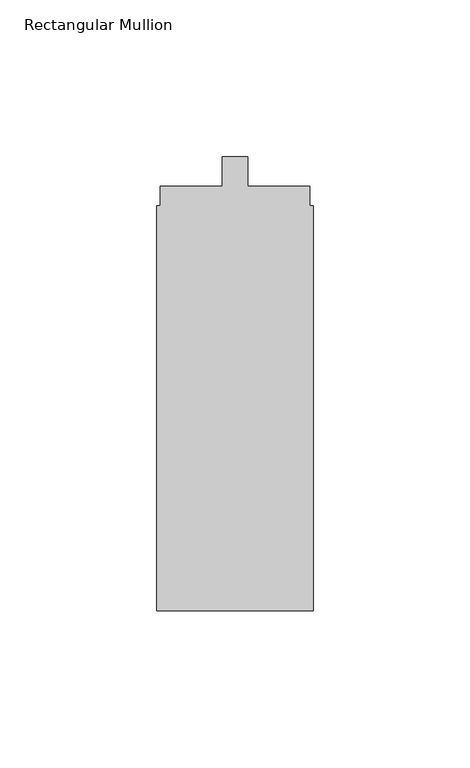
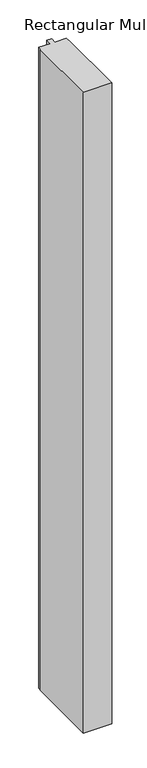
"""IFC4 building model written with IfcOpenShell, lengths in millimetres: member geometry, Rectangular Mullion."""

from ifc_helpers import new_model, si_unit, frame, origin, place, context, project, spatial, polyline, outline, extrude, source, transform, mapped, element, save


def rectangular_mullion_bb9cae61(model_context):
    return source(origin(), model_context, "Body", "SweptSolid", [
        extrude(outline(polyline([(-50.0, -161.3), (-50.0, -32.0), (-48.8217337, -32.0), (-48.8217337, -25.8), (-29.1, -25.8), (-29.1, -16.3), (-20.9, -16.3), (-20.9, -25.8), (-1.1, -25.8), (-1.1, -32.0), (0.0, -32.0), (0.0, -161.3), (-50.0, -161.3)])), frame((0.0, 0.0, -1175.0), z_axis=(0.0, 0.0, 1.0), x_axis=(1.0, 0.0, 0.0)), (0.0, 0.0, 1.0), 1175.0),
    ])


if __name__ == "__main__":
    model = new_model("IFC4")
    model_context = context("Model", 3, world=origin())
    ifc_project = project(units=[si_unit("LENGTHUNIT", "METRE", prefix="MILLI")], contexts=[model_context])
    site = spatial("IfcSite", under=ifc_project)
    building = spatial("IfcBuilding", under=site)
    placement = place(None, origin())
    rectangular_mullion_shape = rectangular_mullion_bb9cae61(model_context)
    element("IfcMember", 1, ObjectType="Rectangular Mullion", at=placement, inside=building, context=model_context, shape_type="MappedRepresentation", body=[
        mapped(rectangular_mullion_shape, transform((0.0, 0.0, 0.0), x_axis=(1.0, 0.0, 0.0), y_axis=(0.0, 1.0, 0.0), z_axis=(0.0, 0.0, 1.0))),
    ])
    save(model, "model.ifc")
